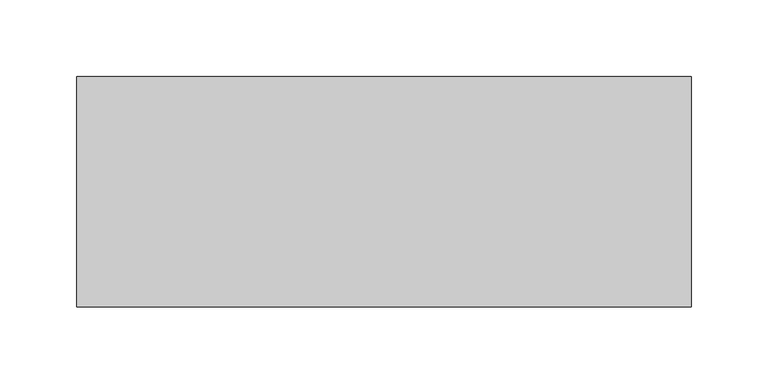
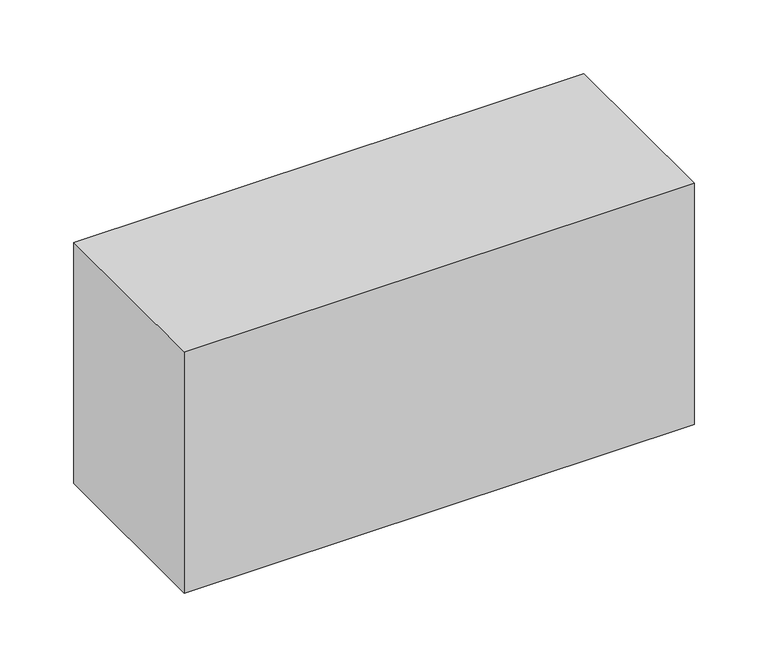
"""IFC4 building model written with IfcOpenShell, lengths in millimetres: proxy geometry."""

from ifc_helpers import new_model, si_unit, frame, origin, place, context, project, spatial, polyline, outline, extrude, source, transform, mapped, element, save


def generic_models_3777ae91(model_context):
    return source(origin(), model_context, "Body", "SweptSolid", [
        extrude(outline(polyline([(200.0, 75.0), (200.0, -75.0), (-200.0, -75.0), (-200.0, 75.0), (200.0, 75.0)])), frame((0.0, 0.0, -200.0), z_axis=(0.0, 0.0, 1.0), x_axis=(1.0, 0.0, 0.0)), (0.0, 0.0, 1.0), 200.0),
    ])


if __name__ == "__main__":
    model = new_model("IFC4")
    model_context = context("Model", 3, world=origin())
    ifc_project = project(units=[si_unit("LENGTHUNIT", "METRE", prefix="MILLI")], contexts=[model_context])
    site = spatial("IfcSite", under=ifc_project)
    building = spatial("IfcBuilding", under=site)
    placement = place(None, origin())
    generic_models_shape = generic_models_3777ae91(model_context)
    element("IfcBuildingElementProxy", 1, Name="Generic Models", at=placement, inside=building, context=model_context, shape_type="MappedRepresentation", body=[
        mapped(generic_models_shape, transform((0.0, 0.0, 0.0), x_axis=(1.0, 0.0, 0.0), y_axis=(0.0, 1.0, 0.0), z_axis=(0.0, 0.0, 1.0))),
    ])
    save(model, "model.ifc")
